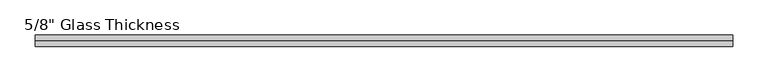
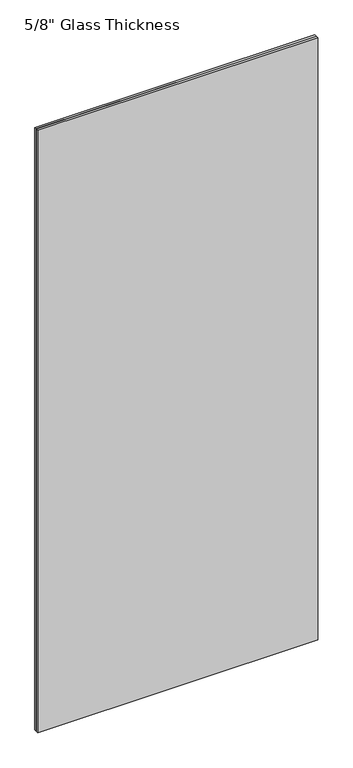
"""IFC4 building model written with IfcOpenShell, lengths in millimetres: plate geometry."""

from ifc_helpers import new_model, si_unit, origin, origin_with_axes, place, context, project, spatial, polyline, outline, extrude, source, transform, mapped, element, save


def plate_3637fad5(model_context):
    return source(origin(), model_context, "Body", "SweptSolid", [
        extrude(outline(polyline([(498.0, 8.76), (-498.0, 8.76), (-498.0, 16.76), (498.0, 16.76), (498.0, 8.76)])), origin_with_axes(), (0.0, 0.0, 1.0), 2267.0),
        extrude(outline(polyline([(498.0, 0.0), (-498.0, 0.0), (-498.0, 8.0), (498.0, 8.0), (498.0, 0.0)])), origin_with_axes(), (0.0, 0.0, 1.0), 2267.0),
    ])


if __name__ == "__main__":
    model = new_model("IFC4")
    model_context = context("Model", 3, world=origin())
    ifc_project = project(units=[si_unit("LENGTHUNIT", "METRE", prefix="MILLI")], contexts=[model_context])
    site = spatial("IfcSite", under=ifc_project)
    building = spatial("IfcBuilding", under=site)
    placement = place(None, origin())
    plate_shape = plate_3637fad5(model_context)
    element("IfcPlate", 1, ObjectType="5/8\" Glass Thickness", at=placement, inside=building, context=model_context, shape_type="MappedRepresentation", body=[
        mapped(plate_shape, transform((0.0, 0.0, 0.0), x_axis=(1.0, 0.0, 0.0), y_axis=(0.0, 1.0, 0.0), z_axis=(0.0, 0.0, 1.0))),
    ])
    save(model, "model.ifc")
